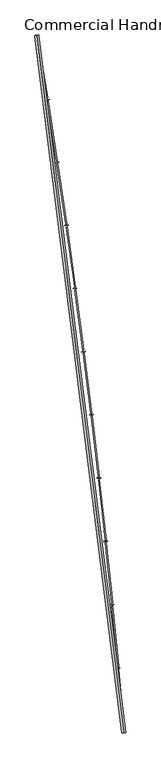
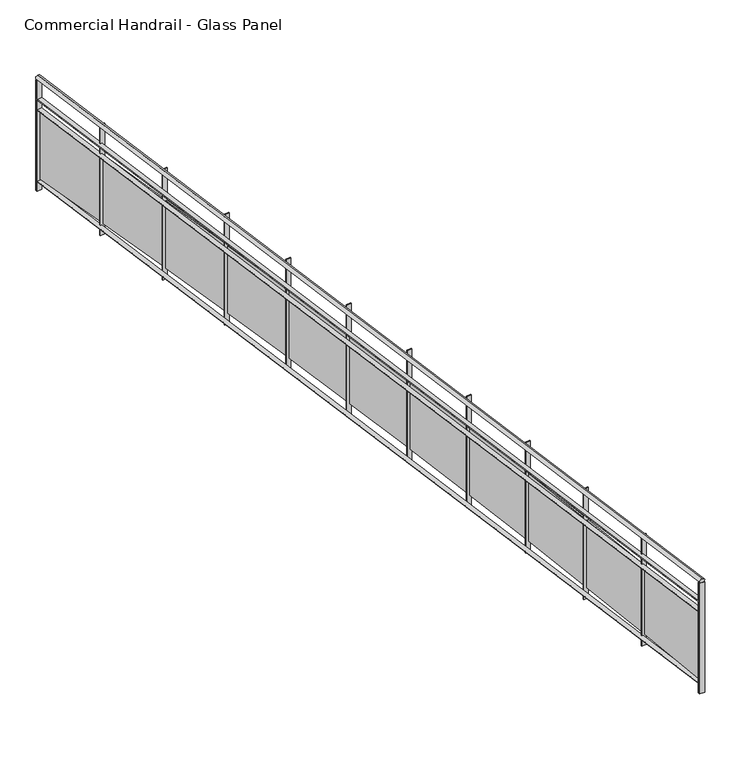
"""IFC4 building model written with IfcOpenShell, lengths in millimetres: railing geometry, Commercial Handrail - Glass Panel."""

from ifc_helpers import new_model, si_unit, point, frame, origin, place, context, project, spatial, polyline, circle_curve, ellipse_curve, trimmed, outline, extrude, source, transform, mapped, element, save
from ifc_brep_helpers import plane_surface, cylinder_surface, revolved_surface, advanced_brep


def commercial_handrail_glass_panel_3c1dca83(model_context):
    return source(origin(), model_context, "Body", "SolidModel", [
        advanced_brep(
        [(155415.1518736, -49813.1101198, 33282.5), (156507.3198577, -58575.9102119, 33282.5), (156507.3198577, -58575.9102119, 33317.5), (155415.1518736, -49813.1101198, 33317.5)],
        [
            (0, 1, circle_curve(frame((49774.785812, -67429.2570352, 33282.5), z_axis=(0.0, 0.0, -1.0), x_axis=(0.9965773914870409, 0.08266500333808188, 0.0)), 107099.0923108)),
            (1, 2, ellipse_curve(frame((156507.3198577, -58575.9102119, 33300.0), z_axis=(-0.08266500333808835, 0.9965773914870406, 0.0), x_axis=(0.9965773914870404, 0.08266500333808834, 0.0)), 25.0, 17.5)),
            (2, 3, circle_curve(frame((49774.785812, -67429.2570352, 33317.5), z_axis=(0.0, 0.0, 1.0), x_axis=(0.9965773914870409, 0.08266500333808188, 0.0)), 107099.0923108)),
            (3, 0, ellipse_curve(frame((155415.1518736, -49813.1101198, 33300.0), z_axis=(0.16448455850891983, -0.9863796581500077, 0.0), x_axis=(0.9863796581500075, 0.1644845585089198, 0.0)), 25.0, 17.5)),
            (2, 1, ellipse_curve(frame((156507.3198577, -58575.9102119, 33300.0), z_axis=(-0.08266500333808835, 0.9965773914870406, 0.0), x_axis=(0.9965773914870404, 0.08266500333808834, 0.0)), 25.0, 17.5)),
            (0, 3, ellipse_curve(frame((155415.1518736, -49813.1101198, 33300.0), z_axis=(0.16448455850891983, -0.9863796581500077, 0.0), x_axis=(0.9863796581500075, 0.1644845585089198, 0.0)), 25.0, 17.5)),
        ],
        [
            revolved_surface(trimmed(ellipse_curve(frame((156507.3198577, -58575.9102119, 33300.0), z_axis=(0.08266500333808188, -0.9965773914870409, 0.0), x_axis=(0.0, 0.0, -1.0)), 17.5, 25.0), [point((156507.3198577, -58575.9102119, 33317.5))], [point((156507.3198577, -58575.9102119, 33282.5))], True, "CARTESIAN"), (49774.785812, -67429.2570352, 33300.0), (0.0, 0.0, 1.0)),
            revolved_surface(trimmed(ellipse_curve(frame((156507.3198577, -58575.9102119, 33300.0), z_axis=(0.08266500333808188, -0.9965773914870409, 0.0), x_axis=(0.0, 0.0, -1.0)), 17.5, 25.0), [point((156507.3198577, -58575.9102119, 33282.5))], [point((156507.3198577, -58575.9102119, 33317.5))], True, "CARTESIAN"), (49774.785812, -67429.2570352, 33300.0), (0.0, 0.0, 1.0)),
            plane_surface(frame((156507.3198577, -58575.9102119, 33300.0), z_axis=(0.08266500333808188, -0.9965773914870409, 0.0), x_axis=(0.9965773914870409, 0.08266500333808188, 0.0))),
            plane_surface(frame((155415.1518736, -49813.1101198, 33300.0), z_axis=(-0.16448455850891983, 0.9863796581500076, 0.0), x_axis=(0.9863796581500076, 0.16448455850891983, 0.0))),
        ],
        [
            (0, [[1, 2, 3, 4]]),
            (1, [[-3, 5, -1, 6]]),
            (2, [[-2, -5]]),
            (3, [[-6, -4]]),
        ],
    ),
        advanced_brep(
        [(155392.9583313, -49816.8110224, 33100.0), (156484.8968663, -58577.7701744, 33100.0), (156529.742849, -58574.0502493, 33100.0), (155437.3454159, -49809.4092172, 33100.0), (155392.9583313, -49816.8110224, 33094.0), (156484.8968663, -58577.7701744, 33094.0), (155437.3454159, -49809.4092172, 33094.0), (156529.742849, -58574.0502493, 33094.0)],
        [
            (0, 1, circle_curve(frame((49774.785812, -67429.2570352, 33100.0), z_axis=(0.0, 0.0, -1.0), x_axis=(0.9965773914870409, 0.08266500333808188, 0.0)), 107076.5923108)),
            (1, 2),
            (2, 3, circle_curve(frame((49774.785812, -67429.2570352, 33100.0), z_axis=(0.0, 0.0, 1.0), x_axis=(0.9965773914870409, 0.08266500333808188, 0.0)), 107121.5923108)),
            (3, 0),
            (4, 5, circle_curve(frame((49774.785812, -67429.2570352, 33094.0), z_axis=(0.0, 0.0, -1.0), x_axis=(0.9965773914870409, 0.08266500333808188, 0.0)), 107076.5923108)),
            (5, 1),
            (0, 4),
            (6, 7, circle_curve(frame((49774.785812, -67429.2570352, 33094.0), z_axis=(0.0, 0.0, -1.0), x_axis=(0.9965773914870409, 0.08266500333808188, 0.0)), 107121.5923108)),
            (7, 5),
            (4, 6),
            (2, 7),
            (6, 3),
        ],
        [
            plane_surface(frame((49774.785812, -67429.2570352, 33100.0), z_axis=(0.0, 0.0, 1.0), x_axis=(0.9965773914870409, 0.08266500333808188, 0.0))),
            revolved_surface(polyline([(156484.89686641842, -58577.77017439729, 33100.0), (156484.89686641842, -58577.77017439729, 33094.0)]), (49774.785812, -67429.2570352, 33100.0), (0.0, 0.0, 1.0)),
            plane_surface(frame((49774.785812, -67429.2570352, 33094.0), z_axis=(0.0, 0.0, -1.0), x_axis=(0.9965773914870409, 0.08266500333808188, 0.0))),
            cylinder_surface(frame((49774.785812, -67429.2570352, 33100.0), z_axis=(0.0, 0.0, 1.0), x_axis=(0.9965773914870409, 0.08266500333808188, 0.0)), 107121.5923108),
            plane_surface(frame((156507.3198577, -58575.9102119, 33100.0), z_axis=(0.08266500333808188, -0.9965773914870409, 0.0), x_axis=(0.9965773914870409, 0.08266500333808188, 0.0))),
            plane_surface(frame((155415.1518736, -49813.1101198, 33100.0), z_axis=(-0.16448455850891983, 0.9863796581500076, 0.0), x_axis=(0.9863796581500076, 0.16448455850891983, 0.0))),
        ],
        [
            (0, [[1, 2, 3, 4]]),
            (1, [[5, 6, -1, 7]]),
            (2, [[8, 9, -5, 10]]),
            (3, [[-3, 11, -8, 12]]),
            (4, [[-2, -6, -9, -11]]),
            (5, [[-12, -10, -7, -4]]),
        ],
    ),
        advanced_brep(
        [(155392.9583313, -49816.8110224, 33000.0), (156484.8968663, -58577.7701744, 33000.0), (156529.742849, -58574.0502493, 33000.0), (155437.3454159, -49809.4092172, 33000.0), (155392.9583313, -49816.8110224, 32994.0), (156484.8968663, -58577.7701744, 32994.0), (155437.3454159, -49809.4092172, 32994.0), (156529.742849, -58574.0502493, 32994.0)],
        [
            (0, 1, circle_curve(frame((49774.785812, -67429.2570352, 33000.0), z_axis=(0.0, 0.0, -1.0), x_axis=(0.9965773914870409, 0.08266500333808188, 0.0)), 107076.5923108)),
            (1, 2),
            (2, 3, circle_curve(frame((49774.785812, -67429.2570352, 33000.0), z_axis=(0.0, 0.0, 1.0), x_axis=(0.9965773914870409, 0.08266500333808188, 0.0)), 107121.5923108)),
            (3, 0),
            (4, 5, circle_curve(frame((49774.785812, -67429.2570352, 32994.0), z_axis=(0.0, 0.0, -1.0), x_axis=(0.9965773914870409, 0.08266500333808188, 0.0)), 107076.5923108)),
            (5, 1),
            (0, 4),
            (6, 7, circle_curve(frame((49774.785812, -67429.2570352, 32994.0), z_axis=(0.0, 0.0, -1.0), x_axis=(0.9965773914870409, 0.08266500333808188, 0.0)), 107121.5923108)),
            (7, 5),
            (4, 6),
            (2, 7),
            (6, 3),
        ],
        [
            plane_surface(frame((49774.785812, -67429.2570352, 33000.0), z_axis=(0.0, 0.0, 1.0), x_axis=(0.9965773914870409, 0.08266500333808188, 0.0))),
            revolved_surface(polyline([(156484.89686641842, -58577.77017439729, 33000.0), (156484.89686641842, -58577.77017439729, 32994.0)]), (49774.785812, -67429.2570352, 33000.0), (0.0, 0.0, 1.0)),
            plane_surface(frame((49774.785812, -67429.2570352, 32994.0), z_axis=(0.0, 0.0, -1.0), x_axis=(0.9965773914870409, 0.08266500333808188, 0.0))),
            cylinder_surface(frame((49774.785812, -67429.2570352, 33000.0), z_axis=(0.0, 0.0, 1.0), x_axis=(0.9965773914870409, 0.08266500333808188, 0.0)), 107121.5923108),
            plane_surface(frame((156507.3198577, -58575.9102119, 33000.0), z_axis=(0.08266500333808188, -0.9965773914870409, 0.0), x_axis=(0.9965773914870409, 0.08266500333808188, 0.0))),
            plane_surface(frame((155415.1518736, -49813.1101198, 33000.0), z_axis=(-0.16448455850891983, 0.9863796581500076, 0.0), x_axis=(0.9863796581500076, 0.16448455850891983, 0.0))),
        ],
        [
            (0, [[1, 2, 3, 4]]),
            (1, [[5, 6, -1, 7]]),
            (2, [[8, 9, -5, 10]]),
            (3, [[-3, 11, -8, 12]]),
            (4, [[-2, -6, -9, -11]]),
            (5, [[-12, -10, -7, -4]]),
        ],
    ),
        advanced_brep(
        [(155392.9583313, -49816.8110224, 32300.0), (156484.8968663, -58577.7701744, 32300.0), (156529.742849, -58574.0502493, 32300.0), (155437.3454159, -49809.4092172, 32300.0), (155392.9583313, -49816.8110224, 32294.0), (156484.8968663, -58577.7701744, 32294.0), (155437.3454159, -49809.4092172, 32294.0), (156529.742849, -58574.0502493, 32294.0)],
        [
            (0, 1, circle_curve(frame((49774.785812, -67429.2570352, 32300.0), z_axis=(0.0, 0.0, -1.0), x_axis=(0.9965773914870409, 0.08266500333808188, 0.0)), 107076.5923108)),
            (1, 2),
            (2, 3, circle_curve(frame((49774.785812, -67429.2570352, 32300.0), z_axis=(0.0, 0.0, 1.0), x_axis=(0.9965773914870409, 0.08266500333808188, 0.0)), 107121.5923108)),
            (3, 0),
            (4, 5, circle_curve(frame((49774.785812, -67429.2570352, 32294.0), z_axis=(0.0, 0.0, -1.0), x_axis=(0.9965773914870409, 0.08266500333808188, 0.0)), 107076.5923108)),
            (5, 1),
            (0, 4),
            (6, 7, circle_curve(frame((49774.785812, -67429.2570352, 32294.0), z_axis=(0.0, 0.0, -1.0), x_axis=(0.9965773914870409, 0.08266500333808188, 0.0)), 107121.5923108)),
            (7, 5),
            (4, 6),
            (2, 7),
            (6, 3),
        ],
        [
            plane_surface(frame((49774.785812, -67429.2570352, 32300.0), z_axis=(0.0, 0.0, 1.0), x_axis=(0.9965773914870409, 0.08266500333808188, 0.0))),
            revolved_surface(polyline([(156484.89686641842, -58577.77017439729, 32300.0), (156484.89686641842, -58577.77017439729, 32294.0)]), (49774.785812, -67429.2570352, 32300.0), (0.0, 0.0, 1.0)),
            plane_surface(frame((49774.785812, -67429.2570352, 32294.0), z_axis=(0.0, 0.0, -1.0), x_axis=(0.9965773914870409, 0.08266500333808188, 0.0))),
            cylinder_surface(frame((49774.785812, -67429.2570352, 32300.0), z_axis=(0.0, 0.0, 1.0), x_axis=(0.9965773914870409, 0.08266500333808188, 0.0)), 107121.5923108),
            plane_surface(frame((156507.3198577, -58575.9102119, 32300.0), z_axis=(0.08266500333808188, -0.9965773914870409, 0.0), x_axis=(0.9965773914870409, 0.08266500333808188, 0.0))),
            plane_surface(frame((155415.1518736, -49813.1101198, 32300.0), z_axis=(-0.16448455850891983, 0.9863796581500076, 0.0), x_axis=(0.9863796581500076, 0.16448455850891983, 0.0))),
        ],
        [
            (0, [[1, 2, 3, 4]]),
            (1, [[5, 6, -1, 7]]),
            (2, [[8, 9, -5, 10]]),
            (3, [[-3, 11, -8, 12]]),
            (4, [[-2, -6, -9, -11]]),
            (5, [[-12, -10, -7, -4]]),
        ],
    ),
        extrude(outline(polyline([(155440.5602167, -49828.6983042), (155396.1719887, -49836.0932495), (155395.185996, -49830.1748191), (155439.574224, -49822.7798738), (155440.5602167, -49828.6983042)])), frame((0.0, 0.0, 32200.0), z_axis=(0.0, 0.0, 1.0), x_axis=(1.0, 0.0, 0.0)), (0.0, 0.0, 1.0), 1082.1192282),
        extrude(outline(polyline([(155537.9927324, -50600.148842), (155415.9010924, -49850.0197655), (155427.7452357, -49848.0920027), (155549.8368757, -50598.2210792), (155537.9927324, -50600.148842)])), frame((0.0, 0.0, 32320.0), z_axis=(0.0, 0.0, 1.0), x_axis=(1.0, 0.0, 0.0)), (0.0, 0.0, 1.0), 660.0),
        extrude(outline(polyline([(155569.0823153, -50618.4755081), (155524.640088, -50625.5386825), (155523.6983314, -50619.6130522), (155568.1405587, -50612.5498778), (155569.0823153, -50618.4755081)])), frame((0.0, 0.0, 32200.0), z_axis=(0.0, 0.0, 1.0), x_axis=(1.0, 0.0, 0.0)), (0.0, 0.0, 1.0), 1082.1192282),
        extrude(outline(polyline([(155660.7496486, -51390.6323103), (155544.2646152, -50639.6121795), (155556.1228277, -50637.7729421), (155672.6078612, -51388.793073), (155660.7496486, -51390.6323103)])), frame((0.0, 0.0, 32320.0), z_axis=(0.0, 0.0, 1.0), x_axis=(1.0, 0.0, 0.0)), (0.0, 0.0, 1.0), 660.0),
        extrude(outline(polyline([(155691.7014704, -51409.1906934), (155647.2077235, -51415.921703), (155646.3102556, -51409.9892034), (155690.8040025, -51403.2581938), (155691.7014704, -51409.1906934)])), frame((0.0, 0.0, 32200.0), z_axis=(0.0, 0.0, 1.0), x_axis=(1.0, 0.0, 0.0)), (0.0, 0.0, 1.0), 1082.1192282),
        extrude(outline(polyline([(155777.5985065, -52182.0106766), (155666.7265791, -51430.1413956), (155678.5981993, -51428.3907863), (155789.4701268, -52180.2600673), (155777.5985065, -52182.0106766)])), frame((0.0, 0.0, 32320.0), z_axis=(0.0, 0.0, 1.0), x_axis=(1.0, 0.0, 0.0)), (0.0, 0.0, 1.0), 660.0),
        extrude(outline(polyline([(155808.4108402, -52200.7997412), (155763.8680564, -52207.1982104), (155763.0149272, -52201.2591725), (155807.557711, -52194.8607033), (155808.4108402, -52200.7997412)])), frame((0.0, 0.0, 32200.0), z_axis=(0.0, 0.0, 1.0), x_axis=(1.0, 0.0, 0.0)), (0.0, 0.0, 1.0), 1082.1192282),
        extrude(outline(polyline([(155888.5327865, -52974.2397848), (155783.2801513, -52221.5633053), (155795.1645168, -52219.9014216), (155900.4171519, -52972.5779011), (155888.5327865, -52974.2397848)])), frame((0.0, 0.0, 32320.0), z_axis=(0.0, 0.0, 1.0), x_axis=(1.0, 0.0, 0.0)), (0.0, 0.0, 1.0), 660.0),
        extrude(outline(polyline([(155919.2039129, -52993.2584824), (155874.6145774, -52999.3240542), (155873.8058345, -52993.3788094), (155918.39517, -52987.3132377), (155919.2039129, -52993.2584824)])), frame((0.0, 0.0, 32200.0), z_axis=(0.0, 0.0, 1.0), x_axis=(1.0, 0.0, 0.0)), (0.0, 0.0, 1.0), 1082.1192282),
        extrude(outline(polyline([(155993.5462987, -53767.2754312), (155893.9188285, -53013.8337498), (155905.8152761, -53012.2606845), (156005.4427463, -53765.7023659), (155993.5462987, -53767.2754312)])), frame((0.0, 0.0, 32320.0), z_axis=(0.0, 0.0, 1.0), x_axis=(1.0, 0.0, 0.0)), (0.0, 0.0, 1.0), 660.0),
        extrude(outline(polyline([(156024.0745064, -53786.5227008), (155979.4411072, -53792.2550367), (155978.6767957, -53786.3039168), (156023.3101949, -53780.5715809), (156024.0745064, -53786.5227008)])), frame((0.0, 0.0, 32200.0), z_axis=(0.0, 0.0, 1.0), x_axis=(1.0, 0.0, 0.0)), (0.0, 0.0, 1.0), 1082.1192282),
        extrude(outline(polyline([(156092.6331838, -54561.0733673), (155998.6364375, -53806.9085235), (156010.5443034, -53805.4243644), (156104.5410497, -54559.5892082), (156092.6331838, -54561.0733673)])), frame((0.0, 0.0, 32320.0), z_axis=(0.0, 0.0, 1.0), x_axis=(1.0, 0.0, 0.0)), (0.0, 0.0, 1.0), 660.0),
        extrude(outline(polyline([(156123.0167695, -54580.548135), (156078.3417969, -54585.9469151), (156077.6219596, -54579.9902521), (156122.2969321, -54574.591472), (156123.0167695, -54580.548135)])), frame((0.0, 0.0, 32200.0), z_axis=(0.0, 0.0, 1.0), x_axis=(1.0, 0.0, 0.0)), (0.0, 0.0, 1.0), 1082.1192282),
        extrude(outline(polyline([(156185.787913, -55355.5893021), (156097.4271353, -54600.7433755), (156109.3457552, -54599.3482053), (156197.7065329, -55354.194132), (156185.787913, -55355.5893021)])), frame((0.0, 0.0, 32320.0), z_axis=(0.0, 0.0, 1.0), x_axis=(1.0, 0.0, 0.0)), (0.0, 0.0, 1.0), 660.0),
        extrude(outline(polyline([(156216.0251814, -55375.2904812), (156171.3111282, -55380.3554043), (156170.6358051, -55374.3935306), (156215.3498583, -55369.3286074), (156216.0251814, -55375.2904812)])), frame((0.0, 0.0, 32200.0), z_axis=(0.0, 0.0, 1.0), x_axis=(1.0, 0.0, 0.0)), (0.0, 0.0, 1.0), 1082.1192282),
        extrude(outline(polyline([(156273.0052888, -56150.7789044), (156190.2854098, -55395.2940127), (156202.2141186, -55393.9879094), (156284.9339976, -56149.4728011), (156273.0052888, -56150.7789044)])), frame((0.0, 0.0, 32320.0), z_axis=(0.0, 0.0, 1.0), x_axis=(1.0, 0.0, 0.0)), (0.0, 0.0, 1.0), 660.0),
        extrude(outline(polyline([(156303.0945527, -56170.7053956), (156258.3439138, -56175.4361792), (156257.7131426, -56169.4694274), (156302.4637816, -56164.7386437), (156303.0945527, -56170.7053956)])), frame((0.0, 0.0, 32200.0), z_axis=(0.0, 0.0, 1.0), x_axis=(1.0, 0.0, 0.0)), (0.0, 0.0, 1.0), 1082.1192282),
        extrude(outline(polyline([(156354.2804446, -56946.5978055), (156277.2060799, -56190.5161021), (156289.144212, -56189.2991384), (156366.2185768, -56945.3808418), (156354.2804446, -56946.5978055)])), frame((0.0, 0.0, 32320.0), z_axis=(0.0, 0.0, 1.0), x_axis=(1.0, 0.0, 0.0)), (0.0, 0.0, 1.0), 660.0),
        extrude(outline(polyline([(156384.2200253, -56966.748497), (156339.4352975, -56971.1448771), (156338.8491135, -56965.17358), (156383.6338412, -56960.7771999), (156384.2200253, -56966.748497)])), frame((0.0, 0.0, 32200.0), z_axis=(0.0, 0.0, 1.0), x_axis=(1.0, 0.0, 0.0)), (0.0, 0.0, 1.0), 1082.1192282),
        extrude(outline(polyline([(156429.6088457, -57743.0016015), (156358.1842956, -56986.3652729), (156370.131185, -56985.2375169), (156441.5557351, -57741.8738454), (156429.6088457, -57743.0016015)])), frame((0.0, 0.0, 32320.0), z_axis=(0.0, 0.0, 1.0), x_axis=(1.0, 0.0, 0.0)), (0.0, 0.0, 1.0), 660.0),
        extrude(outline(polyline([(156459.3970725, -57763.3753689), (156414.5807547, -57767.4371002), (156414.0391905, -57761.4615912), (156458.8555083, -57757.3998599), (156459.3970725, -57763.3753689)])), frame((0.0, 0.0, 32200.0), z_axis=(0.0, 0.0, 1.0), x_axis=(1.0, 0.0, 0.0)), (0.0, 0.0, 1.0), 1082.1192282),
        extrude(outline(polyline([(156498.9862889, -58539.9458559), (156433.2155387, -57782.7971199), (156445.1705188, -57781.7586343), (156510.9412689, -58538.9073703), (156498.9862889, -58539.9458559)])), frame((0.0, 0.0, 32320.0), z_axis=(0.0, 0.0, 1.0), x_axis=(1.0, 0.0, 0.0)), (0.0, 0.0, 1.0), 660.0),
        extrude(outline(polyline([(156528.6214998, -58560.5415625), (156483.7760926, -58564.2684183), (156483.2791785, -58558.2890307), (156528.1245856, -58554.5621749), (156528.6214998, -58560.5415625)])), frame((0.0, 0.0, 32200.0), z_axis=(0.0, 0.0, 1.0), x_axis=(1.0, 0.0, 0.0)), (0.0, 0.0, 1.0), 1082.1192282),
        extrude(outline(polyline([(155437.8388696, -49812.3683562), (155393.451785, -49819.7701613), (155392.4648776, -49813.8518834), (155436.8519623, -49806.4500783), (155437.8388696, -49812.3683562)])), frame((0.0, 0.0, 32200.0), z_axis=(0.0, 0.0, 1.0), x_axis=(1.0, 0.0, 0.0)), (0.0, 0.0, 1.0), 1082.1192282),
        extrude(outline(polyline([(156529.990844, -58577.0399815), (156485.1448614, -58580.7599066), (156484.6488713, -58574.7804423), (156529.494854, -58571.0605171), (156529.990844, -58577.0399815)])), frame((0.0, 0.0, 32200.0), z_axis=(0.0, 0.0, 1.0), x_axis=(1.0, 0.0, 0.0)), (0.0, 0.0, 1.0), 1082.1192282),
    ])


if __name__ == "__main__":
    model = new_model("IFC4")
    model_context = context("Model", 3, world=origin())
    ifc_project = project(units=[si_unit("LENGTHUNIT", "METRE", prefix="MILLI")], contexts=[model_context])
    site = spatial("IfcSite", under=ifc_project)
    building = spatial("IfcBuilding", under=site)
    placement = place(None, origin())
    commercial_handrail_glass_panel_shape = commercial_handrail_glass_panel_3c1dca83(model_context)
    element("IfcRailing", 1, ObjectType="Commercial Handrail - Glass Panel", at=placement, inside=building, context=model_context, shape_type="MappedRepresentation", body=[
        mapped(commercial_handrail_glass_panel_shape, transform((0.0, 0.0, 0.0), x_axis=(1.0, 0.0, 0.0), y_axis=(0.0, 1.0, 0.0), z_axis=(0.0, 0.0, 1.0))),
    ])
    save(model, "model.ifc")
